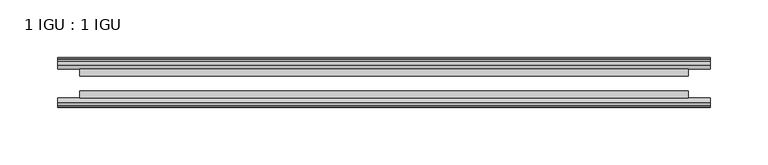
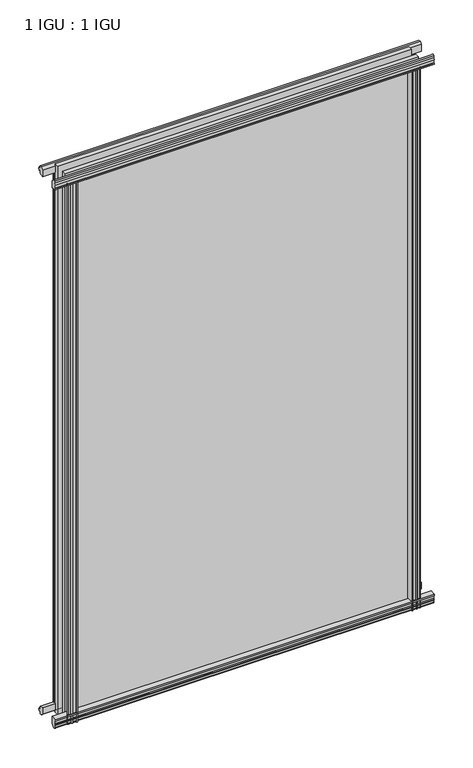
"""IFC4 building model written with IfcOpenShell, lengths in millimetres: plate geometry, 1 IGU : 1 IGU."""

from ifc_helpers import new_model, si_unit, point, frame, frame_2d, origin, place, context, project, spatial, polyline, circle_curve, trimmed, segment, composite_curve, outline, extrude, source, transform, mapped, element, save


def plate_1_igu_1_igu_39d41571(model_context):
    return source(origin(), model_context, "Body", "SweptSolid", [
        extrude(outline(composite_curve([segment(polyline([(-46.2359545, 846.392137), (-46.2359545, 835.3699197), (-53.3197108, 836.7372291)]), True, "CONTINUOUS"), segment(trimmed(circle_curve(frame_2d((-53.1447545, 837.7380519)), 1.016), [point((-53.3197108, 836.7372291))], [point((-53.8888005, 838.4298983))], False, "CARTESIAN"), True, "CONTINUOUS"), segment(polyline([(-53.8888005, 838.4298983), (-52.5859205, 838.2460519), (-52.5859205, 843.6562519), (-54.0652165, 843.9170917), (-52.5859205, 846.5010519), (-52.5859205, 849.6760519)]), True, "CONTINUOUS"), segment(trimmed(circle_curve(frame_2d((-51.3159205, 849.6760519)), 1.27), [point((-52.5859205, 849.6760519))], [point((-50.4178949, 850.5740775))], False, "CARTESIAN"), True, "CONTINUOUS"), segment(polyline([(-50.4178949, 850.5740775), (-46.2359545, 846.392137)]), True, "CONTINUOUS")], self_intersect=False)), frame((-282.5754022, 0.0, 0.0), z_axis=(1.0, 0.0, 0.0), x_axis=(0.0, 1.0, 0.0)), (0.0, 0.0, 1.0), 565.1508044),
        extrude(outline(polyline([(-17.4323375, 850.8285625), (-14.4859375, 850.8285625), (-14.4859375, 846.3835625), (-12.1057405, 846.0025625), (-12.5656738, 847.4180916), (-11.7644596, 847.4180916), (-11.0569375, 845.2405625), (-11.7644596, 843.0630334), (-12.5656738, 843.0630334), (-12.1057405, 844.4785625), (-14.4859375, 844.0975625), (-14.4859375, 838.8905625), (-20.8359545, 837.1728398), (-20.8359545, 847.9942062), (-17.4323375, 850.8285625)])), frame((-282.5754022, 0.0, 0.0), z_axis=(1.0, 0.0, 0.0), x_axis=(0.0, 1.0, 0.0)), (0.0, 0.0, 1.0), 565.1508044),
        extrude(outline(polyline([(-20.8359545, 1.2049602), (-14.4859375, -0.5127625), (-14.4859375, -5.7197625), (-12.1057405, -6.1007625), (-12.5656738, -4.6852334), (-11.7644596, -4.6852334), (-11.0569375, -6.8627625), (-11.7644596, -9.0402916), (-12.5656738, -9.0402916), (-12.1057405, -7.6247625), (-14.4859375, -8.0057625), (-14.4859375, -12.4507625), (-17.4323375, -12.4507625), (-20.8359545, -9.6164062), (-20.8359545, 1.2049602)])), frame((-282.5754022, 0.0, 0.0), z_axis=(1.0, 0.0, 0.0), x_axis=(0.0, 1.0, 0.0)), (0.0, 0.0, 1.0), 565.1508044),
        extrude(outline(composite_curve([segment(polyline([(-53.3197108, 1.6405709), (-46.2359545, 3.0078803), (-46.2359545, -8.014337), (-50.4178949, -12.1962775)]), True, "CONTINUOUS"), segment(trimmed(circle_curve(frame_2d((-51.3159205, -11.2982519)), 1.27), [point((-50.4178949, -12.1962775))], [point((-52.5859205, -11.2982519))], False, "CARTESIAN"), True, "CONTINUOUS"), segment(polyline([(-52.5859205, -11.2982519), (-52.5859205, -8.1232519), (-54.0652165, -5.5392917), (-52.5859205, -5.2784519), (-52.5859205, 0.1317481), (-53.8888005, -0.0520983)]), True, "CONTINUOUS"), segment(trimmed(circle_curve(frame_2d((-53.1447545, 0.6397481)), 1.016), [point((-53.8888005, -0.0520983))], [point((-53.3197108, 1.6405709))], False, "CARTESIAN"), True, "CONTINUOUS")], self_intersect=False)), frame((-282.5754022, 0.0, 0.0), z_axis=(1.0, 0.0, 0.0), x_axis=(0.0, 1.0, 0.0)), (0.0, 0.0, 1.0), 565.1508044),
        extrude(outline(polyline([(-258.4748825, -12.1057405), (-259.8904115, -12.5656738), (-259.8904115, -11.7644596), (-257.7128825, -11.0569375), (-255.5353534, -11.7644596), (-255.5353534, -12.5656738), (-256.9508825, -12.1057405), (-256.5698825, -14.4859375), (-251.3628825, -14.4859375), (-249.6451644, -20.8359375), (-260.4665403, -20.8359375), (-263.3008825, -17.4323375), (-263.3008825, -14.4859375), (-258.8558825, -14.4859375), (-258.4748825, -12.1057405)])), frame((0.0, 0.0, -12.6752823), z_axis=(0.0, 0.0, 1.0), x_axis=(1.0, 0.0, 0.0)), (0.0, 0.0, 1.0), 851.0530823),
        extrude(outline(composite_curve([segment(polyline([(-258.86444, -46.2359375), (-247.8422364, -46.2359375), (-249.2095491, -53.3197108)]), True, "CONTINUOUS"), segment(trimmed(circle_curve(frame_2d((-250.2103719, -53.1447545)), 1.016), [point((-249.2095491, -53.3197108))], [point((-250.9022183, -53.8888005))], False, "CARTESIAN"), True, "CONTINUOUS"), segment(polyline([(-250.9022183, -53.8888005), (-250.7183719, -52.5859205), (-256.1285719, -52.5859205), (-256.3894117, -54.0652165), (-258.9733719, -52.5859205), (-262.1483719, -52.5859205)]), True, "CONTINUOUS"), segment(trimmed(circle_curve(frame_2d((-262.1483719, -51.3159205)), 1.27), [point((-262.1483719, -52.5859205))], [point((-263.0463975, -50.4178949))], False, "CARTESIAN"), True, "CONTINUOUS"), segment(polyline([(-263.0463975, -50.4178949), (-258.86444, -46.2359375)]), True, "CONTINUOUS")], self_intersect=False)), frame((0.0, 0.0, -12.6752823), z_axis=(0.0, 0.0, 1.0), x_axis=(1.0, 0.0, 0.0)), (0.0, 0.0, 1.0), 851.0530823),
        extrude(outline(composite_curve([segment(polyline([(249.2095491, -53.3197108), (247.8422364, -46.2359375), (258.86444, -46.2359375), (263.0463975, -50.4178949)]), True, "CONTINUOUS"), segment(trimmed(circle_curve(frame_2d((262.1483719, -51.3159205)), 1.27), [point((263.0463975, -50.4178949))], [point((262.1483719, -52.5859205))], False, "CARTESIAN"), True, "CONTINUOUS"), segment(polyline([(262.1483719, -52.5859205), (258.9733719, -52.5859205), (256.3894117, -54.0652165), (256.1285719, -52.5859205), (250.7183719, -52.5859205), (250.9413353, -53.8504091)]), True, "CONTINUOUS"), segment(trimmed(circle_curve(frame_2d((250.2103719, -53.1447545)), 1.016), [point((250.9413353, -53.8504091))], [point((249.2095491, -53.3197108))], False, "CARTESIAN"), True, "CONTINUOUS")], self_intersect=False)), frame((0.0, 0.0, -12.6752823), z_axis=(0.0, 0.0, 1.0), x_axis=(1.0, 0.0, 0.0)), (0.0, 0.0, 1.0), 851.0530823),
        extrude(outline(polyline([(255.5353534, -11.7644596), (257.7128825, -11.0569375), (259.8904115, -11.7644596), (259.8904115, -12.5656738), (258.4748825, -12.1057405), (258.8558825, -14.4859375), (263.3008825, -14.4859375), (263.3008825, -17.4323375), (260.4665403, -20.8359375), (249.6451644, -20.8359375), (251.3628825, -14.4859375), (256.5698825, -14.4859375), (256.9508825, -12.1057405), (255.5353534, -12.5656738), (255.5353534, -11.7644596)])), frame((0.0, 0.0, -12.6752823), z_axis=(0.0, 0.0, 1.0), x_axis=(1.0, 0.0, 0.0)), (0.0, 0.0, 1.0), 851.0530823),
        extrude(outline(polyline([(263.5254022, -20.8359375), (263.5254022, -27.1859375), (-263.5254022, -27.1859375), (-263.5254022, -20.8359375), (263.5254022, -20.8359375)])), frame((0.0, 0.0, -12.6752823), z_axis=(0.0, 0.0, 1.0), x_axis=(1.0, 0.0, 0.0)), (0.0, 0.0, 1.0), 863.7283645),
        extrude(outline(polyline([(-263.5254022, -46.2359375), (-263.5254022, -39.8859375), (263.5254022, -39.8859375), (263.5254022, -46.2359375), (-263.5254022, -46.2359375)])), frame((0.0, 0.0, -12.6752823), z_axis=(0.0, 0.0, 1.0), x_axis=(1.0, 0.0, 0.0)), (0.0, 0.0, 1.0), 863.7283645),
    ])


if __name__ == "__main__":
    model = new_model("IFC4")
    model_context = context("Model", 3, world=origin())
    ifc_project = project(units=[si_unit("LENGTHUNIT", "METRE", prefix="MILLI")], contexts=[model_context])
    site = spatial("IfcSite", under=ifc_project)
    building = spatial("IfcBuilding", under=site)
    placement = place(None, origin())
    plate_1_igu_1_igu_shape = plate_1_igu_1_igu_39d41571(model_context)
    element("IfcPlate", 1, ObjectType="1 IGU : 1 IGU", at=placement, inside=building, context=model_context, shape_type="MappedRepresentation", body=[
        mapped(plate_1_igu_1_igu_shape, transform((0.0, 0.0, 0.0), x_axis=(1.0, 0.0, 0.0), y_axis=(0.0, 1.0, 0.0), z_axis=(0.0, 0.0, 1.0))),
    ])
    save(model, "model.ifc")
